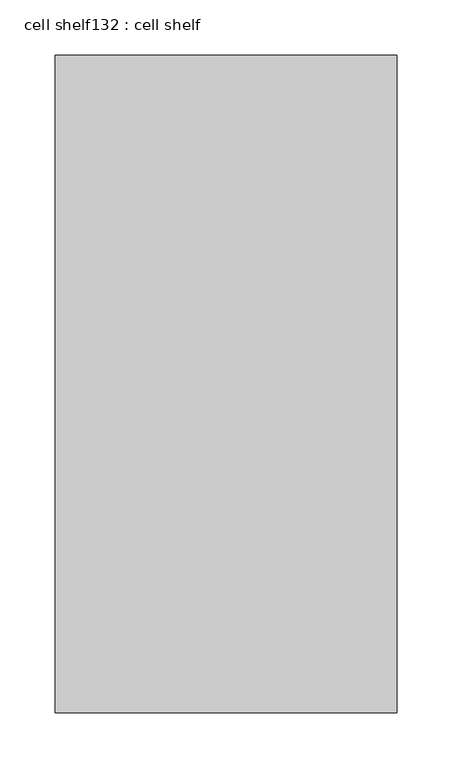
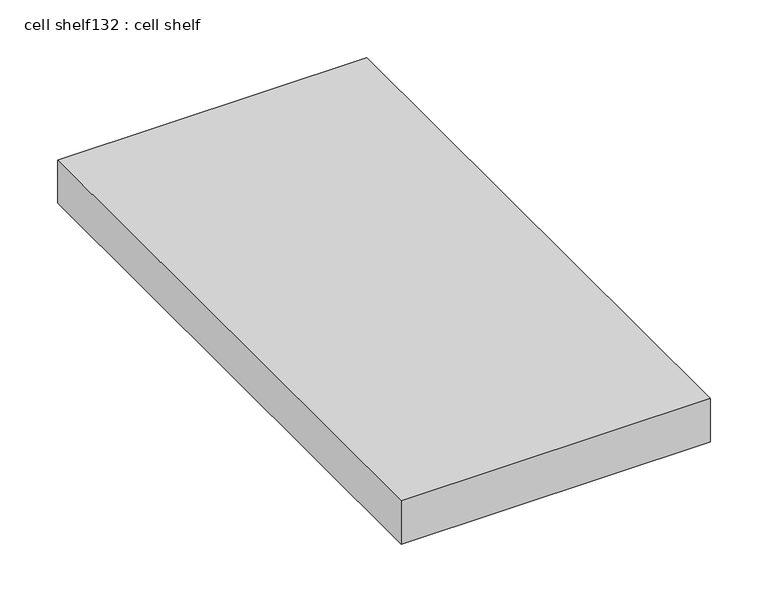
"""IFC4 building model written with IfcOpenShell, lengths in millimetres: proxy geometry, cell shelf132 : cell shelf."""

from ifc_helpers import new_model, si_unit, frame, origin, place, context, project, spatial, polyline, outline, extrude, source, transform, mapped, element, save


def cell_shelf132_cell_shelf_a721b77a(model_context):
    return source(origin(), model_context, "Body", "SweptSolid", [
        extrude(outline(polyline([(-121660.4057177, -12273.1782182), (-121660.4057177, -12868.2646139), (-121969.7535142, -12868.2646139), (-121969.7535142, -12273.1782182), (-121660.4057177, -12273.1782182)])), frame((0.0, 0.0, 1320.0941517), z_axis=(0.0, 0.0, 1.0), x_axis=(1.0, 0.0, 0.0)), (0.0, 0.0, 1.0), 45.8133004),
    ])


if __name__ == "__main__":
    model = new_model("IFC4")
    model_context = context("Model", 3, world=origin())
    ifc_project = project(units=[si_unit("LENGTHUNIT", "METRE", prefix="MILLI")], contexts=[model_context])
    site = spatial("IfcSite", under=ifc_project)
    building = spatial("IfcBuilding", under=site)
    placement = place(None, origin())
    cell_shelf132_cell_shelf_shape = cell_shelf132_cell_shelf_a721b77a(model_context)
    element("IfcBuildingElementProxy", 1, Name="cell shelf132 : cell shelf", ObjectType="cell shelf132 : cell shelf", at=placement, inside=building, context=model_context, shape_type="MappedRepresentation", body=[
        mapped(cell_shelf132_cell_shelf_shape, transform((0.0, 0.0, 0.0), x_axis=(1.0, 0.0, 0.0), y_axis=(0.0, 1.0, 0.0), z_axis=(0.0, 0.0, 1.0))),
    ])
    save(model, "model.ifc")
